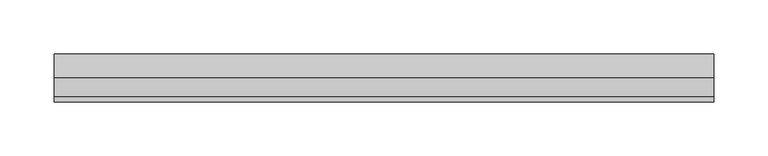
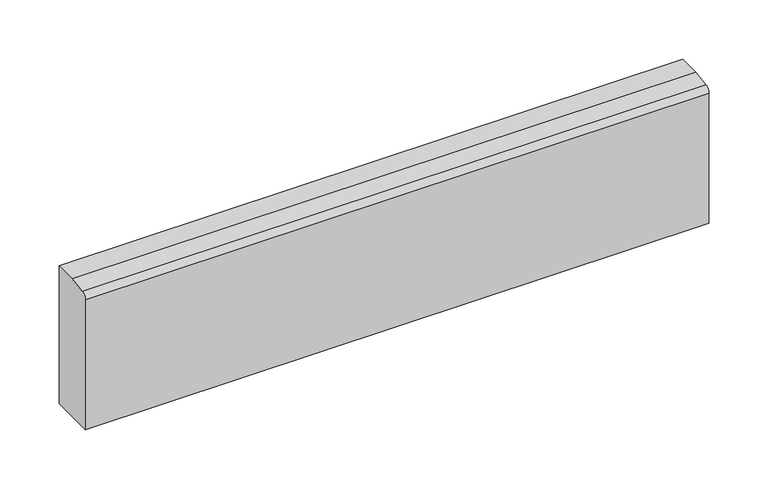
"""IFC4 building model written with IfcOpenShell, lengths in millimetres: furniture geometry."""

import ifcopenshell
import ifcopenshell.guid

model = None  # the IFC model being written
_history = None  # IfcOwnerHistory: only IFC2X3 demands one
_inside = {}  # id of a spatial element -> (the spatial element, [elements in it])
_under = {}  # id of a project, library or spatial element -> (it, [spatial elements below it])
_declared = {}  # id of a project -> (the project, [libraries it declares])
_typed = {}  # id of a type object -> (the type object, [elements of that type])
_made_of = {}  # id of a material, layer set ... -> (it, [elements and type objects made of it])


def new_model(schema):
    """Start an empty IFC model of exactly this schema.

    Asked for "IFC4X3", IfcOpenShell would pick the latest addendum, in which some entities
    have other attributes; the version numbers below select the first issue.
    IFC2X3 requires an IfcOwnerHistory on every rooted entity: one is made here for all.
    """
    global model, _history
    if schema == "IFC4X3":
        model = ifcopenshell.file(schema_version=(4, 3, 0, 0))
    else:
        model = ifcopenshell.file(schema=schema)
    _inside.clear()
    _under.clear()
    _declared.clear()
    _typed.clear()
    _made_of.clear()
    _history = None
    if model.schema == "IFC2X3":
        org = make("IfcOrganization", Name="unknown")
        user = make(
            "IfcPersonAndOrganization",
            ThePerson=make("IfcPerson", FamilyName="unknown"),
            TheOrganization=org,
        )
        app = make(
            "IfcApplication",
            ApplicationDeveloper=org,
            Version="unknown",
            ApplicationFullName="unknown",
            ApplicationIdentifier="unknown",
        )
        _history = make(
            "IfcOwnerHistory",
            OwningUser=user,
            OwningApplication=app,
            ChangeAction="ADDED",
            CreationDate=0,
        )
    return model


def make(cls, **values):
    """One entity of the class cls with the attributes given. An attribute that is None is left unset."""
    return model.create_entity(
        cls, **{name: value for name, value in values.items() if value is not None}
    )


def rooted(cls, **values):
    """An entity with a GlobalId (a new one), such as an element, a storey or a relation."""
    return make(cls, GlobalId=ifcopenshell.guid.new(), OwnerHistory=_history, **values)


def si_unit(unit_type, name, prefix=None):
    """IfcSIUnit, for example si_unit("LENGTHUNIT", "METRE", prefix="MILLI")."""
    return make("IfcSIUnit", UnitType=unit_type, Prefix=prefix, Name=name)


def assignment(units):
    """IfcUnitAssignment: the units of a project."""
    return None if units is None else make("IfcUnitAssignment", Units=units)


def point(xyz):
    """IfcCartesianPoint."""
    return None if xyz is None else make("IfcCartesianPoint", Coordinates=xyz)


def direction(xyz):
    """IfcDirection."""
    return None if xyz is None else make("IfcDirection", DirectionRatios=xyz)


def frame(location, z_axis=None, x_axis=None):
    """IfcAxis2Placement3D, a coordinate frame: its origin and axes. An axis left out is left unset."""
    return make(
        "IfcAxis2Placement3D",
        Location=point(location),
        Axis=direction(z_axis),
        RefDirection=direction(x_axis),
    )


def frame_2d(location, x_axis=None):
    """IfcAxis2Placement2D, a coordinate frame in the plane: its origin and x axis."""
    return make(
        "IfcAxis2Placement2D", Location=point(location), RefDirection=direction(x_axis)
    )


def origin():
    """The frame at (0, 0, 0) with its axes left unset."""
    return frame((0.0, 0.0, 0.0))


def place(relative_to, where):
    """IfcLocalPlacement: puts the frame where relative to a parent placement (None: the world)."""
    return make(
        "IfcLocalPlacement", PlacementRelTo=relative_to, RelativePlacement=where
    )


def context(
    kind, dimensions, precision=None, world=None, true_north=None, identifier=None
):
    """IfcGeometricRepresentationContext, for example the 3D "Model" context."""
    return make(
        "IfcGeometricRepresentationContext",
        ContextIdentifier=identifier,
        ContextType=kind,
        CoordinateSpaceDimension=dimensions,
        Precision=precision,
        WorldCoordinateSystem=world,
        TrueNorth=true_north,
    )


def project(units=None, contexts=None):
    """IfcProject with its units and contexts."""
    return rooted(
        "IfcProject",
        Name="project",
        RepresentationContexts=contexts,
        UnitsInContext=assignment(units),
    )


def spatial(cls, under=None, at=None, **own):
    """A site, building, storey or space (cls), placed at a placement, below another one or the project."""
    s = rooted(cls, ObjectPlacement=at, **own)
    if under is not None:
        _under.setdefault(under.id(), (under, []))[1].append(s)
    return s


def polyline(points):
    """IfcPolyline through the points."""
    return make("IfcPolyline", Points=[point(p) for p in points])


def circle_curve(where, radius):
    """IfcCircle in the frame where."""
    return make("IfcCircle", Position=where, Radius=radius)


def trimmed(basis, trim1, trim2, sense, master):
    """IfcTrimmedCurve: the piece of a basis curve between two trims."""
    return make(
        "IfcTrimmedCurve",
        BasisCurve=basis,
        Trim1=trim1,
        Trim2=trim2,
        SenseAgreement=sense,
        MasterRepresentation=master,
    )


def segment(curve, same_sense, transition):
    """IfcCompositeCurveSegment."""
    return make(
        "IfcCompositeCurveSegment",
        Transition=transition,
        SameSense=same_sense,
        ParentCurve=curve,
    )


def composite_curve(segments, self_intersect=None):
    """IfcCompositeCurve: segments joined end to end."""
    return make("IfcCompositeCurve", Segments=segments, SelfIntersect=self_intersect)


def outline(outer, holes=None, kind="AREA"):
    """IfcArbitraryClosedProfileDef: a profile drawn as a closed curve; with holes, ...WithVoids."""
    if holes is None:
        return make("IfcArbitraryClosedProfileDef", ProfileType=kind, OuterCurve=outer)
    return make(
        "IfcArbitraryProfileDefWithVoids",
        ProfileType=kind,
        OuterCurve=outer,
        InnerCurves=holes,
    )


def extrude(swept, where, along, depth):
    """IfcExtrudedAreaSolid: the profile swept, set in the frame where, extruded along a direction by depth."""
    return make(
        "IfcExtrudedAreaSolid",
        SweptArea=swept,
        Position=where,
        ExtrudedDirection=direction(along),
        Depth=depth,
    )


def shape(context_of_items, identifier, shape_type, items):
    """IfcShapeRepresentation: the items that make up one representation, for example the "Body"."""
    return make(
        "IfcShapeRepresentation",
        ContextOfItems=context_of_items,
        RepresentationIdentifier=identifier,
        RepresentationType=shape_type,
        Items=items,
    )


def source(mapping_origin, context_of_items, identifier, shape_type, items):
    """IfcRepresentationMap: a shape defined once, which mapped items show again and again."""
    return make(
        "IfcRepresentationMap",
        MappingOrigin=mapping_origin,
        MappedRepresentation=shape(context_of_items, identifier, shape_type, items),
    )


def transform(
    local_origin,
    x_axis=None,
    y_axis=None,
    z_axis=None,
    scale=None,
    scale2=None,
    scale3=None,
    uniform=True,
):
    """IfcCartesianTransformationOperator3D, or its non-uniform kind. x_axis, y_axis, z_axis: its Axis1, 2, 3."""
    if uniform:
        return make(
            "IfcCartesianTransformationOperator3D",
            Axis1=direction(x_axis),
            Axis2=direction(y_axis),
            LocalOrigin=point(local_origin),
            Scale=scale,
            Axis3=direction(z_axis),
        )
    return make(
        "IfcCartesianTransformationOperator3DnonUniform",
        Axis1=direction(x_axis),
        Axis2=direction(y_axis),
        LocalOrigin=point(local_origin),
        Scale=scale,
        Axis3=direction(z_axis),
        Scale2=scale2,
        Scale3=scale3,
    )


def mapped(mapping_source, mapping_target):
    """IfcMappedItem: shows the shape of a source again, moved by a transform."""
    return make(
        "IfcMappedItem", MappingSource=mapping_source, MappingTarget=mapping_target
    )


def made_of(thing, what):
    """Note that an element or type object is made of a material, layer set ...; save() writes the relation."""
    if what is not None:
        _made_of.setdefault(what.id(), (what, []))[1].append(thing)
    return thing


def element(
    cls,
    number,
    at=None,
    inside=None,
    cuts=None,
    type_object=None,
    material=None,
    context=None,
    identifier="Body",
    shape_type=None,
    held_by="IfcProductDefinitionShape",
    body=None,
    shapes=None,
    **own,
):
    """One element of the class cls, such as IfcWall. Its Tag is "e" and its number.

    at: its placement. inside: the storey or other place that contains it. cuts: it is an
    opening in that element (IfcRelVoidsElement). A single representation is given by context,
    identifier, shape_type and body (its items); several are given by shapes. held_by: the class
    of the entity that holds the representations. save() writes the other relations.
    """
    e = rooted(cls, Tag="e%d" % number, ObjectPlacement=at, **own)
    if body is not None:
        shapes = [shape(context, identifier, shape_type, body)]
    if shapes is not None:
        e.Representation = make(held_by, Representations=shapes)
    if inside is not None:
        _inside.setdefault(inside.id(), (inside, []))[1].append(e)
    if cuts is not None:
        rooted(
            "IfcRelVoidsElement", RelatingBuildingElement=cuts, RelatedOpeningElement=e
        )
    if type_object is not None:
        _typed.setdefault(type_object.id(), (type_object, []))[1].append(e)
    return made_of(e, material)


def aggregate(whole, parts):
    """IfcRelAggregates: a whole, such as a stair, and the parts it consists of."""
    return rooted("IfcRelAggregates", RelatingObject=whole, RelatedObjects=parts)


def save(model, path):
    """Write the relations noted so far, then the file.

    IfcRelAggregates (storeys below a building ...), IfcRelContainedInSpatialStructure (elements
    in a storey), IfcRelDefinesByType, IfcRelAssociatesMaterial and IfcRelDeclares: one each for
    every whole, place, type object, material and project.
    """
    for whole, parts in _under.values():
        aggregate(whole, parts)
    for where, things in _inside.values():
        rooted(
            "IfcRelContainedInSpatialStructure",
            RelatedElements=things,
            RelatingStructure=where,
        )
    for kind, things in _typed.values():
        rooted("IfcRelDefinesByType", RelatedObjects=things, RelatingType=kind)
    for what, things in _made_of.values():
        rooted("IfcRelAssociatesMaterial", RelatedObjects=things, RelatingMaterial=what)
    for by, libraries in _declared.values():
        rooted("IfcRelDeclares", RelatingContext=by, RelatedDefinitions=libraries)
    model.write(path)


def furniture_0a128777(model_context):
    return source(origin(), model_context, "Body", "SweptSolid", [
        extrude(outline(composite_curve([segment(polyline([(-22.225, 152.4), (0.0, 152.4), (0.0, 9.525), (-44.4433083, 9.525), (-44.4433083, 144.1572033)]), True, "CONTINUOUS"), segment(trimmed(circle_curve(frame_2d((-38.5989863, 144.1572033)), 5.844322), [point((-44.4433083, 144.1572033))], [point((-39.4222979, 149.9432432))], False, "CARTESIAN"), True, "CONTINUOUS"), segment(polyline([(-39.4222979, 149.9432432), (-22.225, 152.4)]), True, "CONTINUOUS")], self_intersect=False)), frame((-304.8, 0.0, 0.0), z_axis=(1.0, 0.0, 0.0), x_axis=(0.0, 1.0, 0.0)), (0.0, 0.0, 1.0), 609.6),
    ])


if __name__ == "__main__":
    model = new_model("IFC4")
    model_context = context("Model", 3, world=origin())
    ifc_project = project(units=[si_unit("LENGTHUNIT", "METRE", prefix="MILLI")], contexts=[model_context])
    site = spatial("IfcSite", under=ifc_project)
    building = spatial("IfcBuilding", under=site)
    placement = place(None, origin())
    furniture_shape = furniture_0a128777(model_context)
    element("IfcFurniture", 1, at=placement, inside=building, context=model_context, shape_type="MappedRepresentation", body=[
        mapped(furniture_shape, transform((0.0, 0.0, 0.0), x_axis=(1.0, 0.0, 0.0), y_axis=(0.0, 1.0, 0.0), z_axis=(0.0, 0.0, 1.0))),
    ])
    save(model, "model.ifc")
